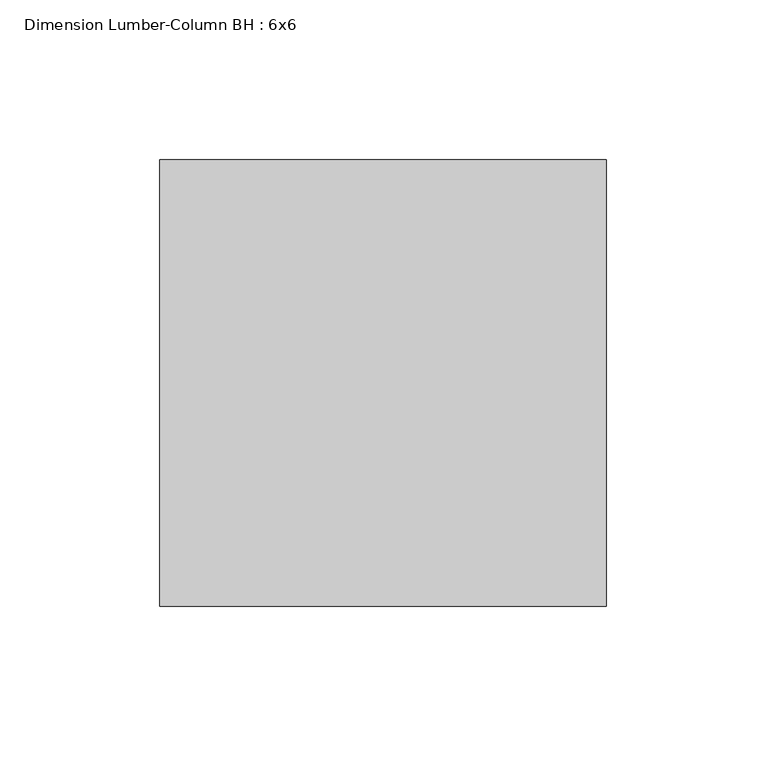
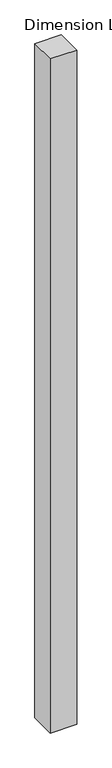
"""IFC4 building model written with IfcOpenShell, lengths in millimetres: column geometry, Dimension Lumber-Column BH : 6x6."""

from ifc_helpers import new_model, si_unit, frame, origin, place, context, project, spatial, polyline, outline, extrude, source, transform, mapped, element, save


def dimension_lumber_column_bh_6x6_2d41692d(model_context):
    return source(origin(), model_context, "Body", "SweptSolid", [
        extrude(outline(polyline([(69.85, 69.85), (69.85, -69.85), (-69.85, -69.85), (-69.85, 69.85), (69.85, 69.85)])), frame((0.0, 0.0, -101.6), z_axis=(0.0, 0.0, 1.0), x_axis=(1.0, 0.0, 0.0)), (0.0, 0.0, 1.0), 3759.2),
    ])


if __name__ == "__main__":
    model = new_model("IFC4")
    model_context = context("Model", 3, world=origin())
    ifc_project = project(units=[si_unit("LENGTHUNIT", "METRE", prefix="MILLI")], contexts=[model_context])
    site = spatial("IfcSite", under=ifc_project)
    building = spatial("IfcBuilding", under=site)
    placement = place(None, origin())
    dimension_lumber_column_bh_6x6_shape = dimension_lumber_column_bh_6x6_2d41692d(model_context)
    element("IfcColumn", 1, ObjectType="Dimension Lumber-Column BH : 6x6", at=placement, inside=building, context=model_context, shape_type="MappedRepresentation", body=[
        mapped(dimension_lumber_column_bh_6x6_shape, transform((0.0, 0.0, 0.0), x_axis=(1.0, 0.0, 0.0), y_axis=(0.0, 1.0, 0.0), z_axis=(0.0, 0.0, 1.0))),
    ])
    save(model, "model.ifc")
